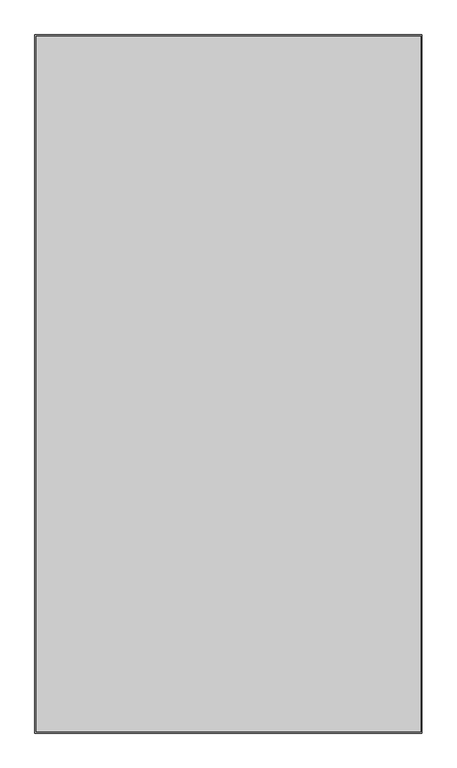
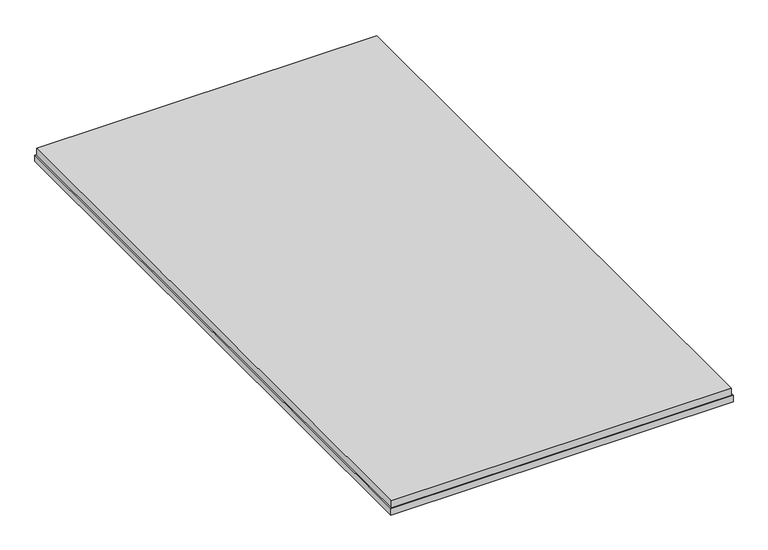
"""IFC4 building model written with IfcOpenShell, lengths in millimetres: proxy geometry."""

from ifc_helpers import new_model, si_unit, frame, origin, place, context, project, spatial, polyline, outline, extrude, source, transform, mapped, element, save


def generic_models_719cd6b1(model_context):
    return source(origin(), model_context, "Body", "SweptSolid", [
        extrude(outline(polyline([(1345.5, -69.0), (1345.5, -2376.0), (69.0, -2376.0), (69.0, -69.0), (1345.5, -69.0)])), frame((0.0, 0.0, -43.0), z_axis=(0.0, 0.0, 1.0), x_axis=(1.0, 0.0, 0.0)), (0.0, 0.0, 1.0), 27.0),
        extrude(outline(polyline([(65.0, -65.0), (1349.5, -65.0), (1349.5, -2380.0), (65.0, -2380.0), (65.0, -65.0)]), holes=[polyline([(1331.5, -83.0), (83.0, -83.0), (83.0, -2362.0), (1331.5, -2362.0), (1331.5, -83.0)])]), frame((0.0, 0.0, -68.0), z_axis=(0.0, 0.0, 1.0), x_axis=(1.0, 0.0, 0.0)), (0.0, 0.0, 1.0), 25.0),
    ])


if __name__ == "__main__":
    model = new_model("IFC4")
    model_context = context("Model", 3, world=origin())
    ifc_project = project(units=[si_unit("LENGTHUNIT", "METRE", prefix="MILLI")], contexts=[model_context])
    site = spatial("IfcSite", under=ifc_project)
    building = spatial("IfcBuilding", under=site)
    placement = place(None, origin())
    generic_models_shape = generic_models_719cd6b1(model_context)
    element("IfcBuildingElementProxy", 1, Name="Generic Models", at=placement, inside=building, context=model_context, shape_type="MappedRepresentation", body=[
        mapped(generic_models_shape, transform((0.0, 0.0, 0.0), x_axis=(1.0, 0.0, 0.0), y_axis=(0.0, 1.0, 0.0), z_axis=(0.0, 0.0, 1.0))),
    ])
    save(model, "model.ifc")
